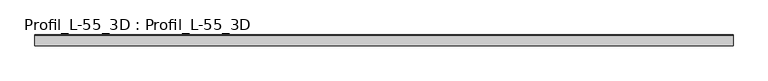
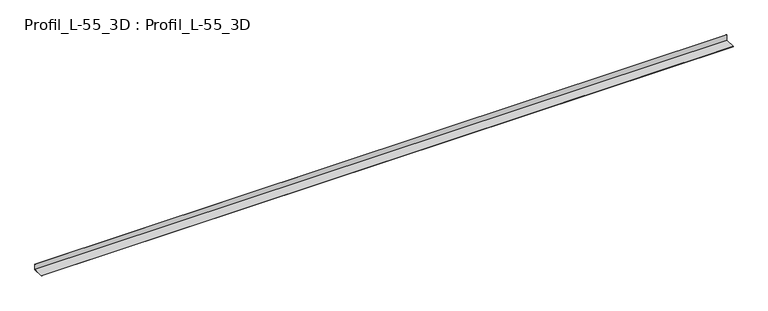
"""IFC4 building model written with IfcOpenShell, lengths in millimetres: proxy geometry, Profil_L-55_3D : Profil_L-55_3D."""

from ifc_helpers import new_model, si_unit, frame, origin, place, context, project, spatial, polyline, outline, extrude, source, transform, mapped, element, save


def profil_l_55_3d_profil_l_55_3d_7d276824(model_context):
    return source(origin(), model_context, "Body", "SweptSolid", [
        extrude(outline(polyline([(0.0, 0.0), (-56.0, 0.0), (-56.0, 0.8), (-0.8, 0.8), (-0.8, 30.0), (0.0, 30.0), (0.0, 0.0)])), frame((0.0, 0.0, 0.0), z_axis=(1.0, 0.0, 0.0), x_axis=(0.0, 1.0, 0.0)), (0.0, 0.0, 1.0), 3600.0000005),
    ])


if __name__ == "__main__":
    model = new_model("IFC4")
    model_context = context("Model", 3, world=origin())
    ifc_project = project(units=[si_unit("LENGTHUNIT", "METRE", prefix="MILLI")], contexts=[model_context])
    site = spatial("IfcSite", under=ifc_project)
    building = spatial("IfcBuilding", under=site)
    placement = place(None, origin())
    profil_l_55_3d_profil_l_55_3d_shape = profil_l_55_3d_profil_l_55_3d_7d276824(model_context)
    element("IfcBuildingElementProxy", 1, Name="Profil_L-55_3D : Profil_L-55_3D", ObjectType="Profil_L-55_3D : Profil_L-55_3D", at=placement, inside=building, context=model_context, shape_type="MappedRepresentation", body=[
        mapped(profil_l_55_3d_profil_l_55_3d_shape, transform((0.0, 0.0, 0.0), x_axis=(1.0, 0.0, 0.0), y_axis=(0.0, 1.0, 0.0), z_axis=(0.0, 0.0, 1.0))),
    ])
    save(model, "model.ifc")
